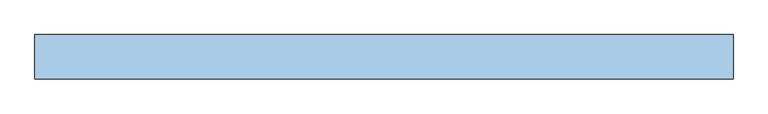
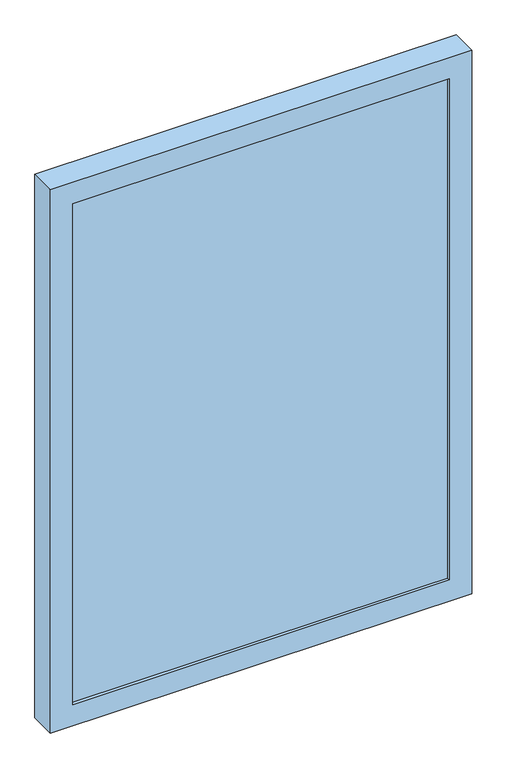
"""IFC4 building model written with IfcOpenShell, lengths in millimetres: window geometry."""

from ifc_helpers import new_model, si_unit, frame, origin, place, context, project, spatial, polyline, outline, extrude, source, transform, mapped, element, save


def window_a97f8dd0(model_context):
    return source(origin(), model_context, "Body", "SweptSolid", [
        extrude(outline(polyline([(491.6, 9.0), (491.6, -27.0), (-491.6, -27.0), (-491.6, 9.0), (491.6, 9.0)])), frame((0.0, 0.0, 958.4), z_axis=(0.0, 0.0, 1.0), x_axis=(1.0, 0.0, 0.0)), (0.0, 0.0, 1.0), 1383.2),
        extrude(outline(polyline([(900.0, 550.0), (2400.0, 550.0), (2400.0, -550.0), (900.0, -550.0), (900.0, 550.0)]), holes=[polyline([(2341.6, 491.6), (958.4, 491.6), (958.4, -491.6), (2341.6, -491.6), (2341.6, 491.6)])]), frame((0.0, -35.0, 0.0), z_axis=(0.0, 1.0, 0.0), x_axis=(0.0, 0.0, 1.0)), (0.0, 0.0, 1.0), 70.0),
    ])


if __name__ == "__main__":
    model = new_model("IFC4")
    model_context = context("Model", 3, world=origin())
    ifc_project = project(units=[si_unit("LENGTHUNIT", "METRE", prefix="MILLI")], contexts=[model_context])
    site = spatial("IfcSite", under=ifc_project)
    building = spatial("IfcBuilding", under=site)
    placement = place(None, origin())
    window_shape = window_a97f8dd0(model_context)
    element("IfcWindow", 1, at=placement, inside=building, context=model_context, shape_type="MappedRepresentation", body=[
        mapped(window_shape, transform((0.0, 0.0, 0.0), x_axis=(1.0, 0.0, 0.0), y_axis=(0.0, 1.0, 0.0), z_axis=(0.0, 0.0, 1.0))),
    ])
    save(model, "model.ifc")
